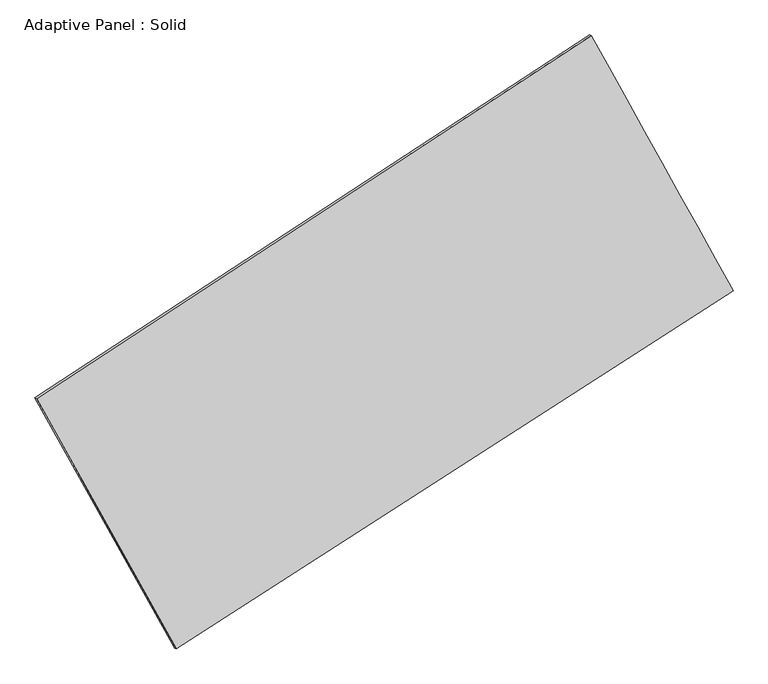
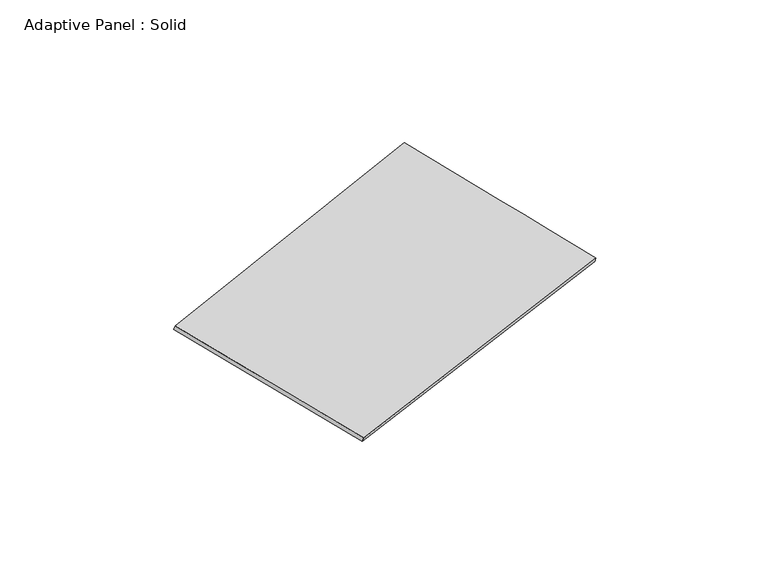
"""IFC4 building model written with IfcOpenShell, lengths in millimetres: plate geometry, Adaptive Panel : Solid."""

from ifc_helpers import new_model, si_unit, frame, origin, place, context, project, spatial, source, transform, mapped, element, save
from ifc_brep_helpers import plane_surface, spline_surface, advanced_brep


def adaptive_panel_solid_7eaf448a(model_context):
    return source(origin(), model_context, "Body", "AdvancedBrep", [
        advanced_brep(
        [(1156.2542893, 2587.3907879, 678.8926062), (-3686.9471982, -581.2006437, 1741.2148723), (-3672.2808424, -587.5807372, 1788.5877804), (1170.9206451, 2581.0106944, 726.2655143), (-2466.8724557, -2767.0452065, 1079.5665461), (-2452.2060999, -2773.4252999, 1126.9394541), (2394.2747865, 360.6064895, -14.5515044), (2408.9411424, 354.226396, 32.8214036)],
        [
            (0, 1),
            (1, 2),
            (2, 3),
            (3, 0),
            (1, 4),
            (4, 5),
            (5, 2),
            (4, 6),
            (6, 7),
            (7, 5),
            (6, 0),
            (3, 7),
        ],
        [
            plane_surface(frame((-1265.3464545, 1003.0950721, 1210.0537393), z_axis=(-0.48715272094727, 0.8327817112958129, 0.2629768959526462), x_axis=(-0.8230704562173272, -0.5384814160364226, 0.18053472985996394))),
            plane_surface(frame((-3076.909827, -1674.1229251, 1410.3907092), z_axis=(-0.8324532985696057, -0.5214069111197444, 0.18750023663225124), x_axis=(0.47120560836486713, -0.844195999711419, -0.2555354940448263))),
            plane_surface(frame((-36.2988346, -1203.2193585, 532.5075208), z_axis=(0.47997564857678826, -0.8374382365590349, -0.2613820512624879), x_axis=(0.8262998050547602, 0.5316395200183495, -0.18597863565776732))),
            plane_surface(frame((1775.2645379, 1473.9986387, 332.1705509), z_axis=(0.8325326072189789, 0.521264538674946, -0.18754396454475647), x_axis=(-0.4688621401548499, 0.8433259822166181, 0.26262060324313863))),
            spline_surface(1, 1, [[(-3672.2808424, -587.5807372, 1788.5877804), (1170.9206451, 2581.0106944, 726.2655143)], [(-2452.2060999, -2773.4252999, 1126.9394541), (2408.9411424, 354.226396, 32.8214036)]], [2, 2], [2, 2], [0.0, 1.0], [0.0, 1.0]),
            spline_surface(1, 1, [[(2394.2747865, 360.6064895, -14.5515044), (1156.2542893, 2587.3907879, 678.8926062)], [(-2466.8724557, -2767.0452065, 1079.5665461), (-3686.9471982, -581.2006437, 1741.2148723)]], [2, 2], [2, 2], [0.0, 1.0], [0.0, 1.0]),
        ],
        [
            (0, [[1, 2, 3, 4]]),
            (1, [[5, 6, 7, -2]]),
            (2, [[8, 9, 10, -6]]),
            (3, [[11, -4, 12, -9]]),
            (4, [[-3, -7, -10, -12]]),
            (5, [[-11, -8, -5, -1]]),
        ],
    ),
    ])


if __name__ == "__main__":
    model = new_model("IFC4")
    model_context = context("Model", 3, world=origin())
    ifc_project = project(units=[si_unit("LENGTHUNIT", "METRE", prefix="MILLI")], contexts=[model_context])
    site = spatial("IfcSite", under=ifc_project)
    building = spatial("IfcBuilding", under=site)
    placement = place(None, origin())
    adaptive_panel_solid_shape = adaptive_panel_solid_7eaf448a(model_context)
    element("IfcPlate", 1, ObjectType="Adaptive Panel : Solid", at=placement, inside=building, context=model_context, shape_type="MappedRepresentation", body=[
        mapped(adaptive_panel_solid_shape, transform((0.0, 0.0, 0.0), x_axis=(1.0, 0.0, 0.0), y_axis=(0.0, 1.0, 0.0), z_axis=(0.0, 0.0, 1.0))),
    ])
    save(model, "model.ifc")
